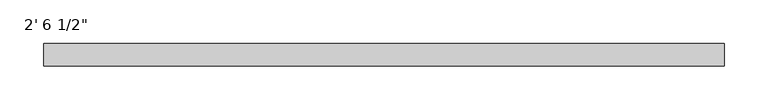
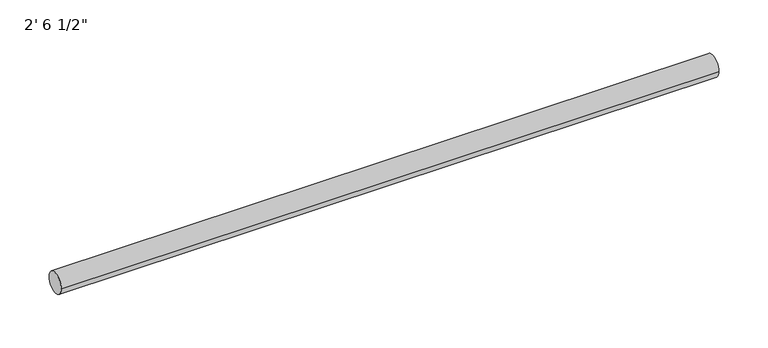
"""IFC4 building model written with IfcOpenShell, lengths in millimetres: furniture geometry."""

from ifc_helpers import new_model, si_unit, point, frame, frame_2d, origin, place, context, project, spatial, circle_curve, trimmed, segment, composite_curve, outline, extrude, source, transform, mapped, element, save


def furniture_542cc4a9(model_context):
    return source(origin(), model_context, "Body", "SweptSolid", [
        extrude(outline(composite_curve([segment(trimmed(circle_curve(frame_2d((342.9, -12.7)), 12.7), [point((330.2, -12.7))], [point((355.6, -12.7))], False, "CARTESIAN"), True, "CONTINUOUS"), segment(trimmed(circle_curve(frame_2d((342.9, -12.7)), 12.7), [point((355.6, -12.7))], [point((330.2, -12.7))], False, "CARTESIAN"), True, "CONTINUOUS")], self_intersect=False)), frame((-368.6122951, 0.0, 0.0), z_axis=(1.0, 0.0, 0.0), x_axis=(0.0, 1.0, 0.0)), (0.0, 0.0, 1.0), 774.7),
    ])


if __name__ == "__main__":
    model = new_model("IFC4")
    model_context = context("Model", 3, world=origin())
    ifc_project = project(units=[si_unit("LENGTHUNIT", "METRE", prefix="MILLI")], contexts=[model_context])
    site = spatial("IfcSite", under=ifc_project)
    building = spatial("IfcBuilding", under=site)
    placement = place(None, origin())
    furniture_shape = furniture_542cc4a9(model_context)
    element("IfcFurniture", 1, ObjectType="2' 6 1/2\"", at=placement, inside=building, context=model_context, shape_type="MappedRepresentation", body=[
        mapped(furniture_shape, transform((0.0, 0.0, 0.0), x_axis=(1.0, 0.0, 0.0), y_axis=(0.0, 1.0, 0.0), z_axis=(0.0, 0.0, 1.0))),
    ])
    save(model, "model.ifc")
